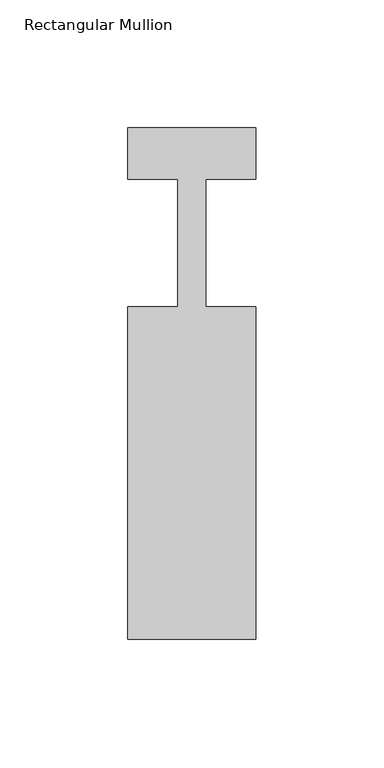
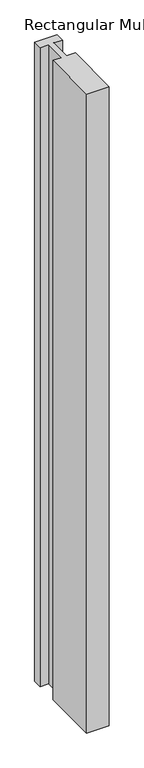
"""IFC4 building model written with IfcOpenShell, lengths in millimetres: member geometry, Rectangular Mullion."""

from ifc_helpers import new_model, si_unit, frame, origin, place, context, project, spatial, polyline, outline, extrude, source, transform, mapped, element, save


def rectangular_mullion_ef077f62(model_context):
    return source(origin(), model_context, "Body", "SweptSolid", [
        extrude(outline(polyline([(-50.0, -153.0), (-50.0, -23.0), (-30.5, -23.0), (-30.5, 27.0), (-50.0, 27.0), (-50.0, 47.0), (0.0, 47.0), (0.0, 27.0), (-19.5000001, 27.0), (-19.5000001, -23.0), (0.0, -23.0), (0.0, -153.0), (-50.0, -153.0)])), frame((0.0, 0.0, -1500.0), z_axis=(0.0, 0.0, 1.0), x_axis=(1.0, 0.0, 0.0)), (0.0, 0.0, 1.0), 1500.0),
    ])


if __name__ == "__main__":
    model = new_model("IFC4")
    model_context = context("Model", 3, world=origin())
    ifc_project = project(units=[si_unit("LENGTHUNIT", "METRE", prefix="MILLI")], contexts=[model_context])
    site = spatial("IfcSite", under=ifc_project)
    building = spatial("IfcBuilding", under=site)
    placement = place(None, origin())
    rectangular_mullion_shape = rectangular_mullion_ef077f62(model_context)
    element("IfcMember", 1, ObjectType="Rectangular Mullion", at=placement, inside=building, context=model_context, shape_type="MappedRepresentation", body=[
        mapped(rectangular_mullion_shape, transform((0.0, 0.0, 0.0), x_axis=(1.0, 0.0, 0.0), y_axis=(0.0, 1.0, 0.0), z_axis=(0.0, 0.0, 1.0))),
    ])
    save(model, "model.ifc")
